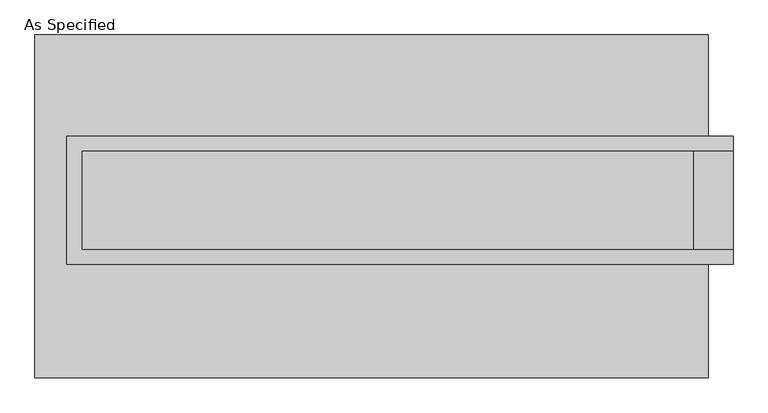
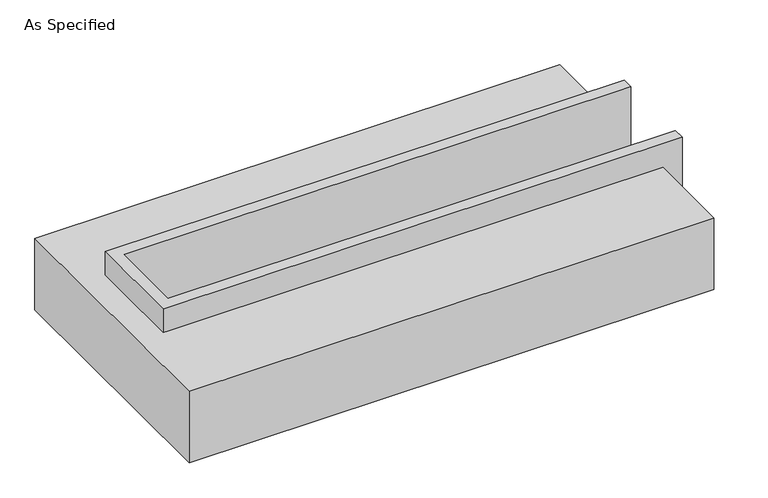
"""IFC4 building model written with IfcOpenShell, lengths in millimetres: proxy geometry, As Specified."""

from ifc_helpers import new_model, si_unit, origin, place, context, project, spatial, faceted_brep, source, transform, mapped, element, save


def as_specified_2df391c1(model_context):
    return source(origin(), model_context, "Body", "Brep", [
        faceted_brep([(-1568.45, 361.95, 139.7), (-1568.45, 361.95, -393.7), (-1568.45, 285.75, -393.7), (-1568.45, 285.75, -25.4), (-1568.45, -222.25, -25.4), (-1568.45, -222.25, -393.7), (-1568.45, -298.45, -393.7), (-1568.45, -298.45, 139.7), (1860.55, 285.75, 139.7), (1860.55, 285.75, -317.5), (1860.55, -222.25, -317.5), (1860.55, -222.25, 139.7), (1860.55, -298.45, 139.7), (1860.55, -298.45, -393.7), (1860.55, 361.95, -393.7), (1860.55, 361.95, 139.7), (-1492.25, -222.25, 139.7), (-1492.25, 285.75, 139.7), (1657.35, -222.25, -393.7), (1657.35, 285.75, -393.7), (1657.35, -222.25, -317.5), (-1492.25, -222.25, -25.4), (1657.35, 285.75, -317.5), (-1492.25, 285.75, -25.4)], [[[0, 1, 2, 3, 4, 5, 6, 7]], [[8, 9, 10, 11, 12, 13, 14, 15]], [[0, 7, 12, 11, 16, 17, 8, 15]], [[1, 0, 15, 14]], [[14, 13, 6, 5, 18, 19, 2, 1]], [[7, 6, 13, 12]], [[11, 10, 20, 18, 5, 4, 21, 16]], [[10, 9, 22, 20]], [[9, 8, 17, 23, 3, 2, 19, 22]], [[18, 20, 22, 19]], [[23, 21, 4, 3]], [[17, 16, 21, 23]]]),
        faceted_brep([(-1733.55, 882.65, -523.9742188), (1733.55, 882.65, -523.9742188), (1733.55, -882.65, -523.9742188), (-1733.55, -882.65, -523.9742188), (1733.55, 882.65, -25.4), (-1733.55, 882.65, -25.4), (-1733.55, -882.65, -25.4), (1733.55, -882.65, -25.4), (1733.55, -298.45, -25.4), (-1568.45, -298.45, -25.4), (-1568.45, 361.95, -25.4), (1733.55, 361.95, -25.4), (1733.55, 361.95, -393.7), (1733.55, -298.45, -393.7), (-1568.45, -298.45, -393.7), (-1568.45, 361.95, -393.7)], [[[0, 1, 2, 3]], [[4, 5, 6, 7, 8, 9, 10, 11]], [[1, 0, 5, 4]], [[5, 0, 3, 6]], [[1, 4, 11, 12, 13, 8, 7, 2]], [[3, 2, 7, 6]], [[14, 15, 10, 9]], [[10, 15, 12, 11]], [[15, 14, 13, 12]], [[14, 9, 8, 13]]]),
    ])


if __name__ == "__main__":
    model = new_model("IFC4")
    model_context = context("Model", 3, world=origin())
    ifc_project = project(units=[si_unit("LENGTHUNIT", "METRE", prefix="MILLI")], contexts=[model_context])
    site = spatial("IfcSite", under=ifc_project)
    building = spatial("IfcBuilding", under=site)
    placement = place(None, origin())
    as_specified_shape = as_specified_2df391c1(model_context)
    element("IfcBuildingElementProxy", 1, Name="As Specified", ObjectType="As Specified", at=placement, inside=building, context=model_context, shape_type="MappedRepresentation", body=[
        mapped(as_specified_shape, transform((0.0, 0.0, 0.0), x_axis=(1.0, 0.0, 0.0), y_axis=(0.0, 1.0, 0.0), z_axis=(0.0, 0.0, 1.0))),
    ])
    save(model, "model.ifc")
